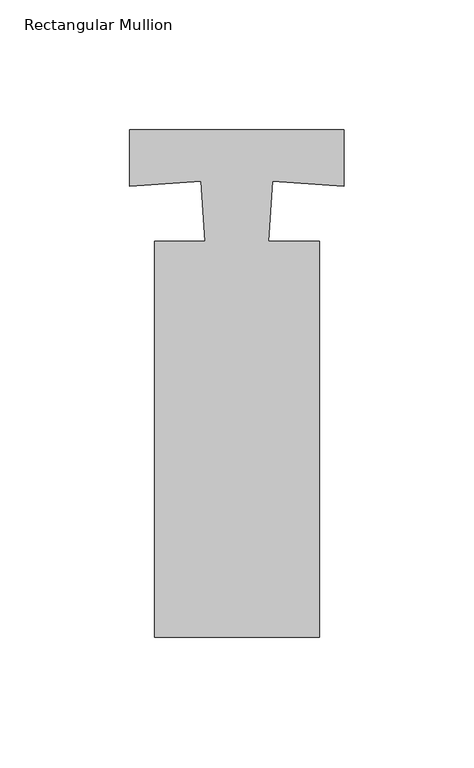
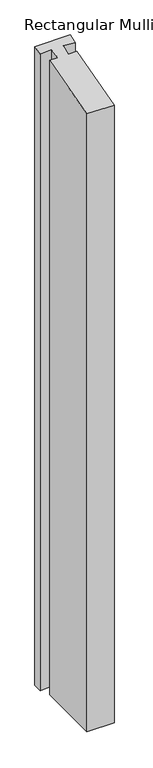
"""IFC4 building model written with IfcOpenShell, lengths in millimetres: member geometry, Rectangular Mullion."""

from ifc_helpers import new_model, si_unit, origin, place, context, project, spatial, faceted_brep, source, transform, mapped, element, save


def rectangular_mullion_c1ac7e04(model_context):
    return source(origin(), model_context, "Body", "Brep", [
        faceted_brep([(-31.6430873, -1.606771, -1575.3073102), (-12.1156488, -1.606771, -1575.3073102), (-13.66797, 21.5143372, -1575.3073102), (-41.1675527, 19.6680509, -1575.3073102), (-41.1675527, 41.3424301, -1575.3073102), (41.3813781, 41.3424301, -1575.3073102), (41.3813781, 19.6536949, -1575.3073102), (13.8808358, 21.5000457, -1575.3073102), (12.3294741, -1.606771, -1575.3073102), (31.8569127, -1.606771, -1575.3073102), (31.8569127, -154.006771, -1575.3073102), (-31.6430873, -154.006771, -1575.3073102), (-31.6430873, -154.006771, -41.2316035), (-31.6430873, -1.606771, -0.4301742), (31.8569127, -154.006771, -41.2316035), (31.8569127, -1.606771, -0.4301742), (12.3294741, -1.606771, -0.4301742), (13.8808358, 21.5000457, 5.7561194), (41.3813781, 19.6536949, 5.2618034), (41.3813781, 41.3424301, 11.0684399), (-41.1675527, 41.3424301, 11.0684399), (-41.1675527, 19.6680509, 5.2656469), (-13.66797, 21.5143372, 5.7599456), (-12.1156488, -1.606771, -0.4301742)], [[[0, 1, 2, 3, 4, 5, 6, 7, 8, 9, 10, 11]], [[12, 13, 0, 11]], [[14, 12, 11, 10]], [[15, 14, 10, 9]], [[16, 15, 9, 8]], [[17, 16, 8, 7]], [[18, 17, 7, 6]], [[19, 18, 6, 5]], [[20, 19, 5, 4]], [[21, 20, 4, 3]], [[22, 21, 3, 2]], [[23, 22, 2, 1]], [[13, 23, 1, 0]], [[13, 12, 14, 15, 16, 17, 18, 19, 20, 21, 22, 23]]]),
    ])


if __name__ == "__main__":
    model = new_model("IFC4")
    model_context = context("Model", 3, world=origin())
    ifc_project = project(units=[si_unit("LENGTHUNIT", "METRE", prefix="MILLI")], contexts=[model_context])
    site = spatial("IfcSite", under=ifc_project)
    building = spatial("IfcBuilding", under=site)
    placement = place(None, origin())
    rectangular_mullion_shape = rectangular_mullion_c1ac7e04(model_context)
    element("IfcMember", 1, ObjectType="Rectangular Mullion", at=placement, inside=building, context=model_context, shape_type="MappedRepresentation", body=[
        mapped(rectangular_mullion_shape, transform((0.0, 0.0, 0.0), x_axis=(1.0, 0.0, 0.0), y_axis=(0.0, 1.0, 0.0), z_axis=(0.0, 0.0, 1.0))),
    ])
    save(model, "model.ifc")
